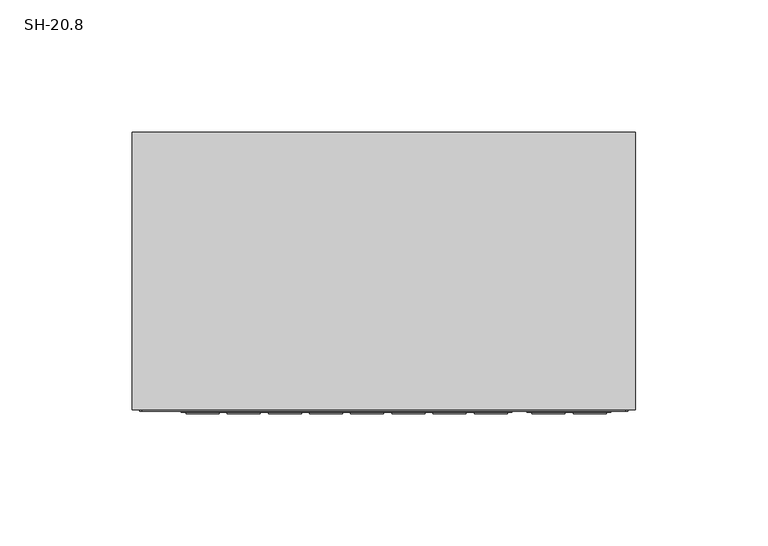
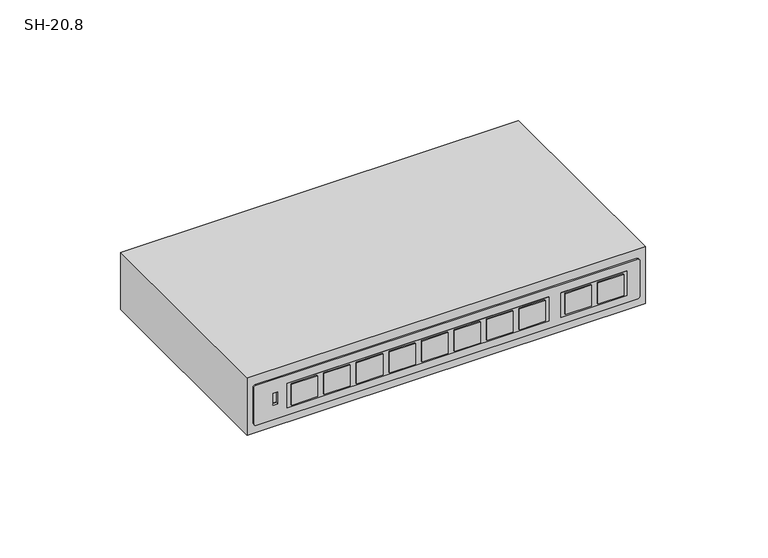
"""IFC4 building model written with IfcOpenShell, lengths in millimetres: proxy geometry, SH-20.8."""

from ifc_helpers import new_model, si_unit, point, frame, frame_2d, origin, place, context, project, spatial, polyline, circle_curve, trimmed, segment, composite_curve, outline, extrude, faceted_brep, source, transform, mapped, element, save


def sh_20_8_9d63179f(model_context):
    return source(origin(), model_context, "Body", "SolidModel", [
        extrude(outline(composite_curve([segment(polyline([(1024.1059459, 91.35), (1024.1059459, -91.35)]), True, "CONTINUOUS"), segment(trimmed(circle_curve(frame_2d((1023.1059459, -91.35)), 1.0), [point((1024.1059459, -91.35))], [point((1023.1059459, -92.35))], False, "CARTESIAN"), True, "CONTINUOUS"), segment(polyline([(1023.1059459, -92.35), (1005.1059459, -92.35)]), True, "CONTINUOUS"), segment(trimmed(circle_curve(frame_2d((1005.1059459, -91.35)), 1.0), [point((1005.1059459, -92.35))], [point((1004.1059459, -91.35))], False, "CARTESIAN"), True, "CONTINUOUS"), segment(polyline([(1004.1059459, -91.35), (1004.1059459, 91.35)]), True, "CONTINUOUS"), segment(trimmed(circle_curve(frame_2d((1005.1059459, 91.35)), 1.0), [point((1004.1059459, 91.35))], [point((1005.1059459, 92.35))], False, "CARTESIAN"), True, "CONTINUOUS"), segment(polyline([(1005.1059459, 92.35), (1023.1059459, 92.35)]), True, "CONTINUOUS"), segment(trimmed(circle_curve(frame_2d((1023.1059459, 91.35)), 1.0), [point((1023.1059459, 92.35))], [point((1024.1059459, 91.35))], False, "CARTESIAN"), True, "CONTINUOUS")], self_intersect=False), holes=[polyline([(1017.1692803, -83.0965754), (1017.1692803, -80.9268312), (1011.3204046, -80.9268312), (1011.3204046, -83.0965754), (1017.1692803, -83.0965754)])]), frame((0.0, -105.5, 0.0), z_axis=(0.0, 1.0, 0.0), x_axis=(0.0, 0.0, 1.0)), (0.0, 0.0, 1.0), 1.0),
        extrude(outline(polyline([(46.7342121, -106.5), (34.2575199, -106.5), (34.2575199, -105.0), (46.7342121, -105.0), (46.7342121, -106.5)])), frame((0.0, 0.0, 1008.9900685), z_axis=(0.0, 0.0, 1.0), x_axis=(1.0, 0.0, 0.0)), (0.0, 0.0, 1.0), 10.5975835),
        extrude(outline(polyline([(31.1481478, -106.5), (18.6714555, -106.5), (18.6714555, -105.0), (31.1481478, -105.0), (31.1481478, -106.5)])), frame((0.0, 0.0, 1008.9900685), z_axis=(0.0, 0.0, 1.0), x_axis=(1.0, 0.0, 0.0)), (0.0, 0.0, 1.0), 10.5975835),
        extrude(outline(polyline([(15.5620835, -106.5), (3.0853912, -106.5), (3.0853912, -105.0), (15.5620835, -105.0), (15.5620835, -106.5)])), frame((0.0, 0.0, 1008.9900685), z_axis=(0.0, 0.0, 1.0), x_axis=(1.0, 0.0, 0.0)), (0.0, 0.0, 1.0), 10.5975835),
        extrude(outline(polyline([(-0.0239809, -106.5), (-12.5006731, -106.5), (-12.5006731, -105.0), (-0.0239809, -105.0), (-0.0239809, -106.5)])), frame((0.0, 0.0, 1008.9900685), z_axis=(0.0, 0.0, 1.0), x_axis=(1.0, 0.0, 0.0)), (0.0, 0.0, 1.0), 10.5975835),
        extrude(outline(polyline([(-15.6100452, -106.5), (-28.0867375, -106.5), (-28.0867375, -105.0), (-15.6100452, -105.0), (-15.6100452, -106.5)])), frame((0.0, 0.0, 1008.9900685), z_axis=(0.0, 0.0, 1.0), x_axis=(1.0, 0.0, 0.0)), (0.0, 0.0, 1.0), 10.5975835),
        extrude(outline(polyline([(-31.1961095, -106.5), (-43.6728018, -106.5), (-43.6728018, -105.0), (-31.1961095, -105.0), (-31.1961095, -106.5)])), frame((0.0, 0.0, 1008.9900685), z_axis=(0.0, 0.0, 1.0), x_axis=(1.0, 0.0, 0.0)), (0.0, 0.0, 1.0), 10.5975835),
        extrude(outline(polyline([(-46.7821739, -106.5), (-59.2588661, -106.5), (-59.2588661, -105.0), (-46.7821739, -105.0), (-46.7821739, -106.5)])), frame((0.0, 0.0, 1008.9900685), z_axis=(0.0, 0.0, 1.0), x_axis=(1.0, 0.0, 0.0)), (0.0, 0.0, 1.0), 10.5975835),
        extrude(outline(polyline([(-62.3682382, -106.5), (-74.8449305, -106.5), (-74.8449305, -105.0), (-62.3682382, -105.0), (-62.3682382, -106.5)])), frame((0.0, 0.0, 1008.9900685), z_axis=(0.0, 0.0, 1.0), x_axis=(1.0, 0.0, 0.0)), (0.0, 0.0, 1.0), 10.5975835),
        extrude(outline(polyline([(48.5671675, -106.0), (-76.7037629, -106.0), (-76.7037629, -105.0), (48.5671675, -105.0), (48.5671675, -106.0)])), frame((0.0, 0.0, 1008.0451607), z_axis=(0.0, 0.0, 1.0), x_axis=(1.0, 0.0, 0.0)), (0.0, 0.0, 1.0), 12.3125),
        extrude(outline(polyline([(84.1741317, -106.5), (71.6974394, -106.5), (71.6974394, -105.0), (84.1741317, -105.0), (84.1741317, -106.5)])), frame((0.0, 0.0, 1008.9900685), z_axis=(0.0, 0.0, 1.0), x_axis=(1.0, 0.0, 0.0)), (0.0, 0.0, 1.0), 10.5975835),
        extrude(outline(polyline([(68.5880673, -106.5), (56.1113751, -106.5), (56.1113751, -105.0), (68.5880673, -105.0), (68.5880673, -106.5)])), frame((0.0, 0.0, 1008.9900685), z_axis=(0.0, 0.0, 1.0), x_axis=(1.0, 0.0, 0.0)), (0.0, 0.0, 1.0), 10.5975835),
        extrude(outline(polyline([(86.0047423, -106.0), (54.2525427, -106.0), (54.2525427, -105.0), (86.0047423, -105.0), (86.0047423, -106.0)])), frame((0.0, 0.0, 1008.0451607), z_axis=(0.0, 0.0, 1.0), x_axis=(1.0, 0.0, 0.0)), (0.0, 0.0, 1.0), 12.3125),
        faceted_brep([(95.25, 0.0, 1029.0), (-95.25, 0.0, 1029.0), (-95.25, -105.0, 1029.0), (95.25, -105.0, 1029.0), (95.25, 0.0, 1000.0), (95.25, -105.0, 1000.0), (-95.25, -105.0, 1000.0), (-95.25, 0.0, 1000.0), (-83.0965754, -105.0, 1017.1692803), (-80.9268312, -105.0, 1017.1692803), (-80.9268312, -105.0, 1011.3204046), (-83.0965754, -105.0, 1011.3204046), (-80.9268312, -104.0, 1017.1692803), (-83.0965754, -104.0, 1017.1692803), (-83.0965754, -104.0, 1011.3204046), (-80.9268312, -104.0, 1011.3204046)], [[[0, 1, 2, 3]], [[4, 5, 6, 7]], [[1, 0, 4, 7]], [[2, 1, 7, 6]], [[3, 2, 6, 5], [8, 9, 10, 11]], [[0, 3, 5, 4]], [[12, 13, 14, 15]], [[13, 12, 9, 8]], [[14, 13, 8, 11]], [[15, 14, 11, 10]], [[12, 15, 10, 9]]]),
    ])


if __name__ == "__main__":
    model = new_model("IFC4")
    model_context = context("Model", 3, world=origin())
    ifc_project = project(units=[si_unit("LENGTHUNIT", "METRE", prefix="MILLI")], contexts=[model_context])
    site = spatial("IfcSite", under=ifc_project)
    building = spatial("IfcBuilding", under=site)
    placement = place(None, origin())
    sh_20_8_shape = sh_20_8_9d63179f(model_context)
    element("IfcBuildingElementProxy", 1, Name="SH-20.8", ObjectType="SH-20.8", at=placement, inside=building, context=model_context, shape_type="MappedRepresentation", body=[
        mapped(sh_20_8_shape, transform((0.0, 0.0, 0.0), x_axis=(1.0, 0.0, 0.0), y_axis=(0.0, 1.0, 0.0), z_axis=(0.0, 0.0, 1.0))),
    ])
    save(model, "model.ifc")
